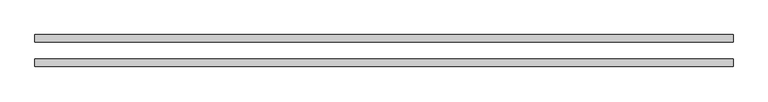
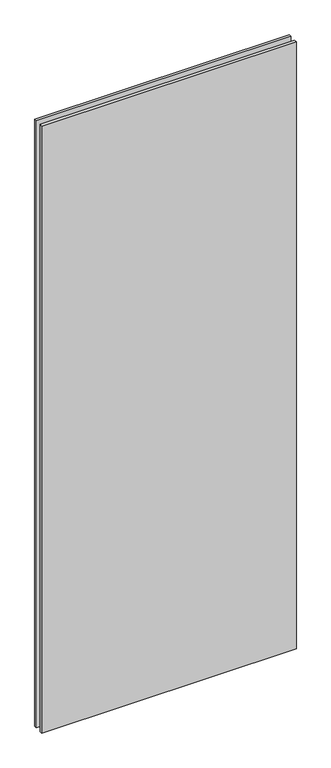
"""IFC4 building model written with IfcOpenShell, lengths in millimetres: plate geometry."""

from ifc_helpers import new_model, si_unit, origin, origin_with_axes, place, context, project, spatial, polyline, outline, extrude, source, transform, mapped, element, save


def plate_ae12b895(model_context):
    return source(origin(), model_context, "Body", "SweptSolid", [
        extrude(outline(polyline([(588.9625, 26.9875), (588.9625, 14.2875), (-588.9625, 14.2875), (-588.9625, 26.9875), (588.9625, 26.9875)])), origin_with_axes(), (0.0, 0.0, 1.0), 2965.45),
        extrude(outline(polyline([(588.9625, -26.9875), (-588.9625, -26.9875), (-588.9625, -14.2875), (588.9625, -14.2875), (588.9625, -26.9875)])), origin_with_axes(), (0.0, 0.0, 1.0), 2965.45),
    ])


if __name__ == "__main__":
    model = new_model("IFC4")
    model_context = context("Model", 3, world=origin())
    ifc_project = project(units=[si_unit("LENGTHUNIT", "METRE", prefix="MILLI")], contexts=[model_context])
    site = spatial("IfcSite", under=ifc_project)
    building = spatial("IfcBuilding", under=site)
    placement = place(None, origin())
    plate_shape = plate_ae12b895(model_context)
    element("IfcPlate", 1, at=placement, inside=building, context=model_context, shape_type="MappedRepresentation", body=[
        mapped(plate_shape, transform((0.0, 0.0, 0.0), x_axis=(1.0, 0.0, 0.0), y_axis=(0.0, 1.0, 0.0), z_axis=(0.0, 0.0, 1.0))),
    ])
    save(model, "model.ifc")
